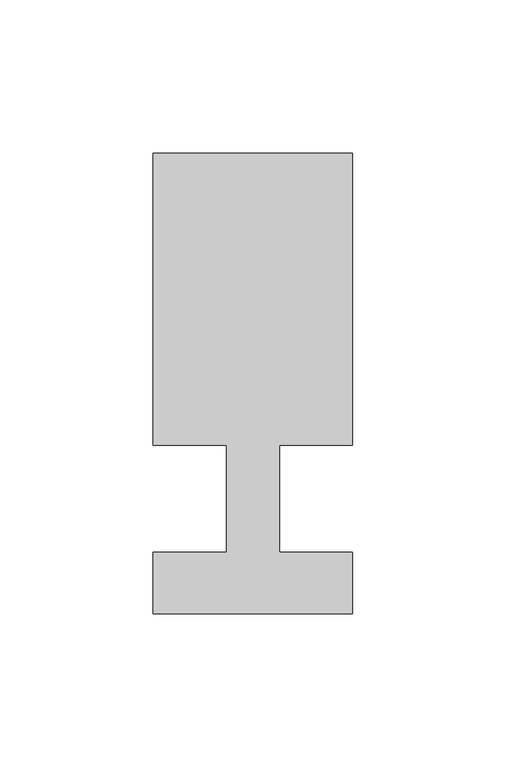
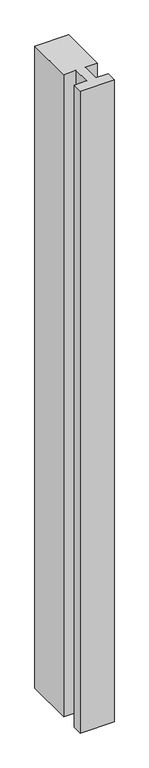
"""IFC4 building model written with IfcOpenShell, lengths in millimetres: member geometry."""

from ifc_helpers import new_model, si_unit, frame, origin, place, context, project, spatial, polyline, outline, extrude, source, transform, mapped, element, save


def member_e4988bcb(model_context):
    return source(origin(), model_context, "Body", "SweptSolid", [
        extrude(outline(polyline([(-65.0, -37.0), (-65.0, -17.0), (-41.1875, -17.0), (-41.1875, 18.0), (-65.0, 18.0), (-65.0, 113.0), (0.0, 113.0), (0.0, 18.0), (-23.8125, 18.0), (-23.8125, -17.0), (0.0, -17.0), (0.0, -37.0), (-65.0, -37.0)])), frame((0.0, 0.0, -1300.0), z_axis=(0.0, 0.0, 1.0), x_axis=(1.0, 0.0, 0.0)), (0.0, 0.0, 1.0), 1300.0),
    ])


if __name__ == "__main__":
    model = new_model("IFC4")
    model_context = context("Model", 3, world=origin())
    ifc_project = project(units=[si_unit("LENGTHUNIT", "METRE", prefix="MILLI")], contexts=[model_context])
    site = spatial("IfcSite", under=ifc_project)
    building = spatial("IfcBuilding", under=site)
    placement = place(None, origin())
    member_shape = member_e4988bcb(model_context)
    element("IfcMember", 1, at=placement, inside=building, context=model_context, shape_type="MappedRepresentation", body=[
        mapped(member_shape, transform((0.0, 0.0, 0.0), x_axis=(1.0, 0.0, 0.0), y_axis=(0.0, 1.0, 0.0), z_axis=(0.0, 0.0, 1.0))),
    ])
    save(model, "model.ifc")
